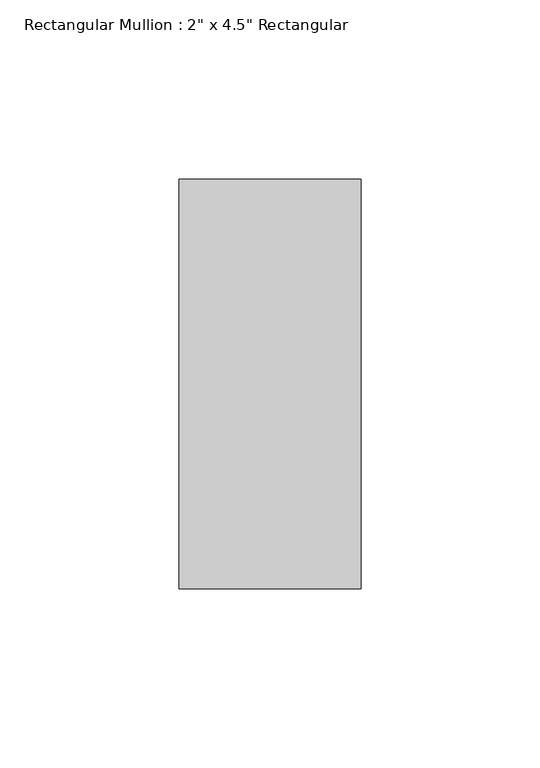
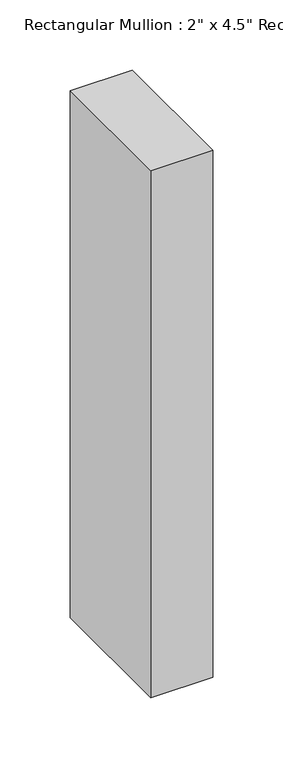
"""IFC4 building model written with IfcOpenShell, lengths in millimetres: member geometry."""

from ifc_helpers import new_model, si_unit, frame, origin, place, context, project, spatial, polyline, outline, extrude, source, transform, mapped, element, save


def member_07d9ed2a(model_context):
    return source(origin(), model_context, "Body", "SweptSolid", [
        extrude(outline(polyline([(25.4, 57.15), (25.4, -57.15), (-25.4, -57.15), (-25.4, 57.15), (25.4, 57.15)])), frame((0.0, 0.0, -457.2), z_axis=(0.0, 0.0, 1.0), x_axis=(1.0, 0.0, 0.0)), (0.0, 0.0, 1.0), 457.2),
    ])


if __name__ == "__main__":
    model = new_model("IFC4")
    model_context = context("Model", 3, world=origin())
    ifc_project = project(units=[si_unit("LENGTHUNIT", "METRE", prefix="MILLI")], contexts=[model_context])
    site = spatial("IfcSite", under=ifc_project)
    building = spatial("IfcBuilding", under=site)
    placement = place(None, origin())
    member_shape = member_07d9ed2a(model_context)
    element("IfcMember", 1, ObjectType="Rectangular Mullion : 2\" x 4.5\" Rectangular", at=placement, inside=building, context=model_context, shape_type="MappedRepresentation", body=[
        mapped(member_shape, transform((0.0, 0.0, 0.0), x_axis=(1.0, 0.0, 0.0), y_axis=(0.0, 1.0, 0.0), z_axis=(0.0, 0.0, 1.0))),
    ])
    save(model, "model.ifc")
